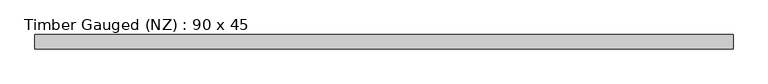
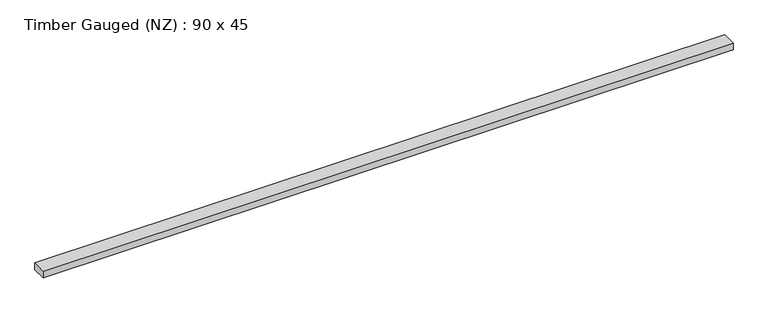
"""IFC4 building model written with IfcOpenShell, lengths in millimetres: beam geometry, Timber Gauged (NZ) : 90 x 45."""

from ifc_helpers import new_model, si_unit, frame, origin, place, context, project, spatial, polyline, outline, extrude, source, transform, mapped, element, save


def timber_gauged_nz_90_x_45_f8dae278(model_context):
    return source(origin(), model_context, "Body", "SweptSolid", [
        extrude(outline(polyline([(2189.4543179, 45.0), (2189.4543179, -45.0), (-2189.4543179, -45.0), (-2189.4543179, 45.0), (2189.4543179, 45.0)])), frame((0.0, 0.0, -22.5), z_axis=(0.0, 0.0, 1.0), x_axis=(1.0, 0.0, 0.0)), (0.0, 0.0, 1.0), 45.0),
    ])


if __name__ == "__main__":
    model = new_model("IFC4")
    model_context = context("Model", 3, world=origin())
    ifc_project = project(units=[si_unit("LENGTHUNIT", "METRE", prefix="MILLI")], contexts=[model_context])
    site = spatial("IfcSite", under=ifc_project)
    building = spatial("IfcBuilding", under=site)
    placement = place(None, origin())
    timber_gauged_nz_90_x_45_shape = timber_gauged_nz_90_x_45_f8dae278(model_context)
    element("IfcBeam", 1, ObjectType="Timber Gauged (NZ) : 90 x 45", at=placement, inside=building, context=model_context, shape_type="MappedRepresentation", body=[
        mapped(timber_gauged_nz_90_x_45_shape, transform((0.0, 0.0, 0.0), x_axis=(1.0, 0.0, 0.0), y_axis=(0.0, 1.0, 0.0), z_axis=(0.0, 0.0, 1.0))),
    ])
    save(model, "model.ifc")
